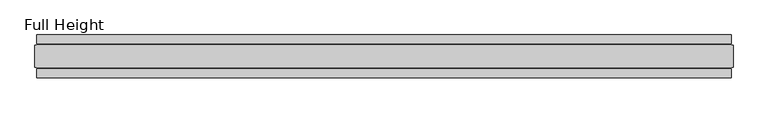
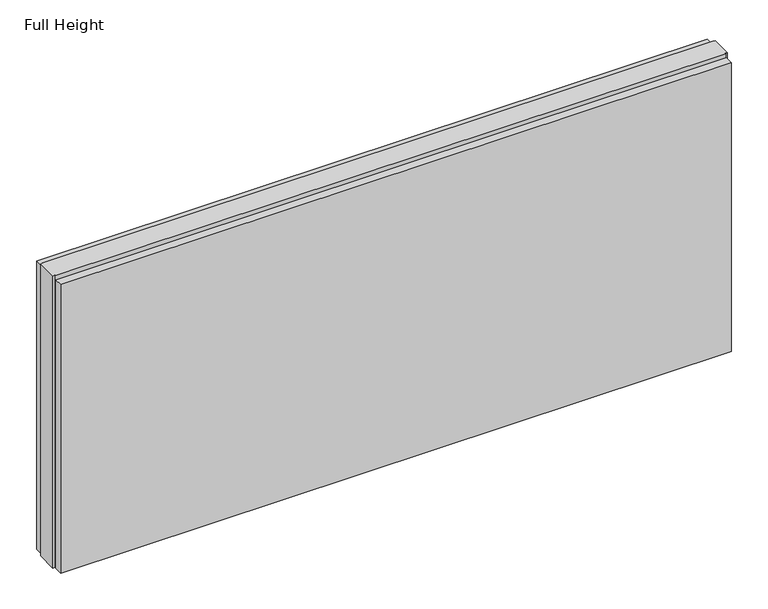
"""IFC4 building model written with IfcOpenShell, lengths in millimetres: plate geometry, Full Height."""

from ifc_helpers import new_model, si_unit, origin, origin_with_axes, place, context, project, spatial, polyline, outline, extrude, source, transform, mapped, element, save


def full_height_ae6d48b0(model_context):
    return source(origin(), model_context, "Body", "SweptSolid", [
        extrude(outline(polyline([(801.4285074, 28.956), (-801.4285074, 28.956), (-801.4285074, 49.53), (801.4285074, 49.53), (801.4285074, 28.956)])), origin_with_axes(), (0.0, 0.0, 1.0), 729.996),
        extrude(outline(polyline([(801.4285074, -28.956), (801.4285074, -49.53), (-801.4285074, -49.53), (-801.4285074, -28.956), (801.4285074, -28.956)])), origin_with_axes(), (0.0, 0.0, 1.0), 729.996),
        extrude(outline(polyline([(801.4285074, -25.146), (801.4285074, -26.67), (-801.4285074, -26.67), (-801.4285074, -25.146), (-806.0005074, -25.146), (-806.0005074, 25.146), (-801.4285074, 25.146), (-801.4285074, 26.67), (801.4285074, 26.67), (801.4285074, 25.146), (806.0005074, 25.146), (806.0005074, -25.146), (801.4285074, -25.146)])), origin_with_axes(), (0.0, 0.0, 1.0), 739.14),
    ])


if __name__ == "__main__":
    model = new_model("IFC4")
    model_context = context("Model", 3, world=origin())
    ifc_project = project(units=[si_unit("LENGTHUNIT", "METRE", prefix="MILLI")], contexts=[model_context])
    site = spatial("IfcSite", under=ifc_project)
    building = spatial("IfcBuilding", under=site)
    placement = place(None, origin())
    full_height_shape = full_height_ae6d48b0(model_context)
    element("IfcPlate", 1, ObjectType="Full Height", at=placement, inside=building, context=model_context, shape_type="MappedRepresentation", body=[
        mapped(full_height_shape, transform((0.0, 0.0, 0.0), x_axis=(1.0, 0.0, 0.0), y_axis=(0.0, 1.0, 0.0), z_axis=(0.0, 0.0, 1.0))),
    ])
    save(model, "model.ifc")
